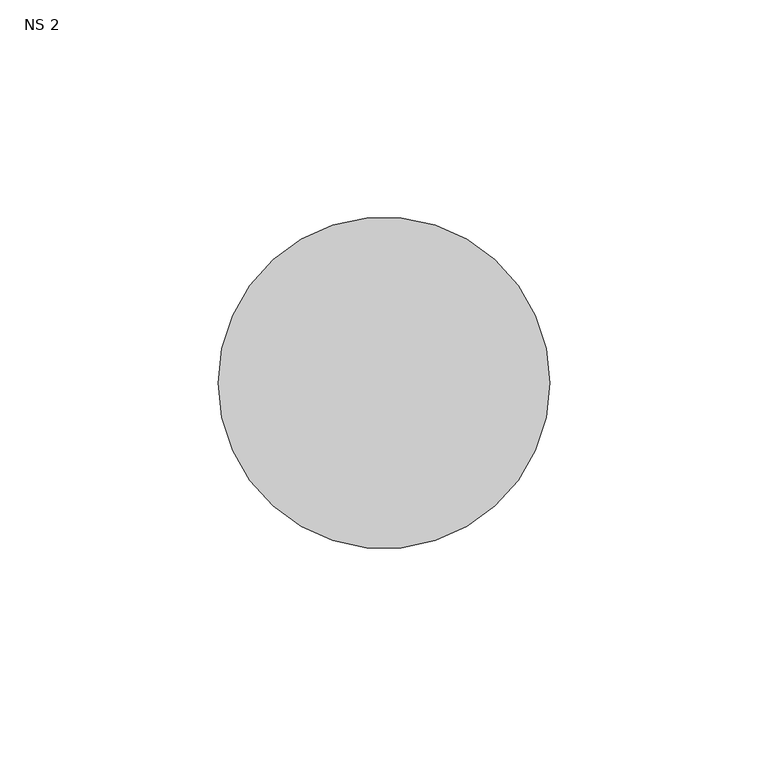
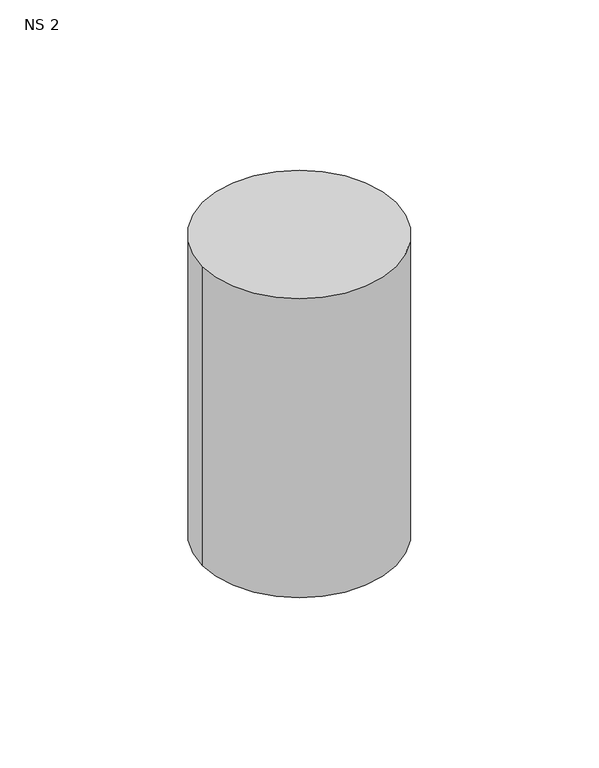
"""IFC4 building model written with IfcOpenShell, lengths in millimetres: unitary equipment geometry, NS 2."""

from ifc_helpers import new_model, si_unit, point, frame, frame_2d, origin, place, context, project, spatial, circle_curve, trimmed, segment, composite_curve, outline, extrude, source, transform, mapped, element, save


def ns_2_3399689e(model_context):
    return source(origin(), model_context, "Body", "SweptSolid", [
        extrude(outline(composite_curve([segment(trimmed(circle_curve(frame_2d((200.0, 346.41)), 38.0), [point((162.0, 346.41))], [point((238.0, 346.41))], False, "CARTESIAN"), True, "CONTINUOUS"), segment(trimmed(circle_curve(frame_2d((200.0, 346.41)), 38.0), [point((238.0, 346.41))], [point((162.0, 346.41))], False, "CARTESIAN"), True, "CONTINUOUS")], self_intersect=False)), frame((0.0, 0.0, 1137.5), z_axis=(0.0, 0.0, 1.0), x_axis=(1.0, 0.0, 0.0)), (0.0, 0.0, 1.0), 124.1),
    ])


if __name__ == "__main__":
    model = new_model("IFC4")
    model_context = context("Model", 3, world=origin())
    ifc_project = project(units=[si_unit("LENGTHUNIT", "METRE", prefix="MILLI")], contexts=[model_context])
    site = spatial("IfcSite", under=ifc_project)
    building = spatial("IfcBuilding", under=site)
    placement = place(None, origin())
    ns_2_shape = ns_2_3399689e(model_context)
    element("IfcUnitaryEquipment", 1, ObjectType="NS 2", at=placement, inside=building, context=model_context, shape_type="MappedRepresentation", body=[
        mapped(ns_2_shape, transform((0.0, 0.0, 0.0), x_axis=(1.0, 0.0, 0.0), y_axis=(0.0, 1.0, 0.0), z_axis=(0.0, 0.0, 1.0))),
    ])
    save(model, "model.ifc")
